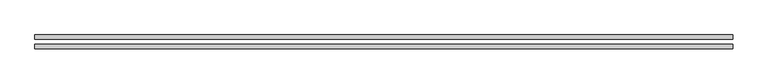
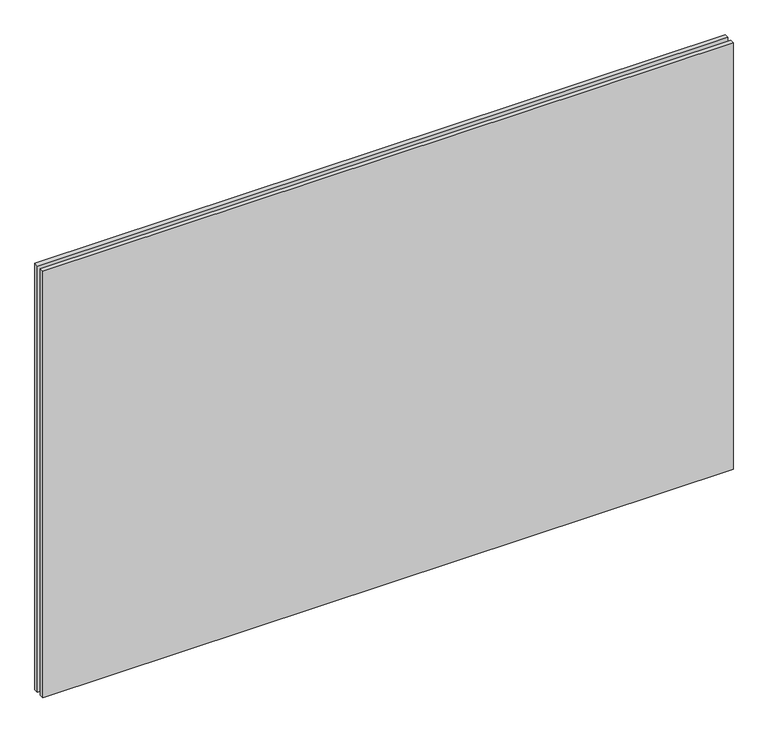
"""IFC4 building model written with IfcOpenShell, lengths in millimetres: plate geometry."""

from ifc_helpers import new_model, si_unit, origin, origin_with_axes, place, context, project, spatial, polyline, outline, extrude, source, transform, mapped, element, save


def plate_4efff8bd(model_context):
    return source(origin(), model_context, "Body", "SweptSolid", [
        extrude(outline(polyline([(620.0, -40.8), (-620.0, -40.8), (-620.0, -32.8), (620.0, -32.8), (620.0, -40.8)])), origin_with_axes(), (0.0, 0.0, 1.0), 810.0),
        extrude(outline(polyline([(620.0, -23.8), (-620.0, -23.8), (-620.0, -15.8), (620.0, -15.8), (620.0, -23.8)])), origin_with_axes(), (0.0, 0.0, 1.0), 810.0),
    ])


if __name__ == "__main__":
    model = new_model("IFC4")
    model_context = context("Model", 3, world=origin())
    ifc_project = project(units=[si_unit("LENGTHUNIT", "METRE", prefix="MILLI")], contexts=[model_context])
    site = spatial("IfcSite", under=ifc_project)
    building = spatial("IfcBuilding", under=site)
    placement = place(None, origin())
    plate_shape = plate_4efff8bd(model_context)
    element("IfcPlate", 1, at=placement, inside=building, context=model_context, shape_type="MappedRepresentation", body=[
        mapped(plate_shape, transform((0.0, 0.0, 0.0), x_axis=(1.0, 0.0, 0.0), y_axis=(0.0, 1.0, 0.0), z_axis=(0.0, 0.0, 1.0))),
    ])
    save(model, "model.ifc")
